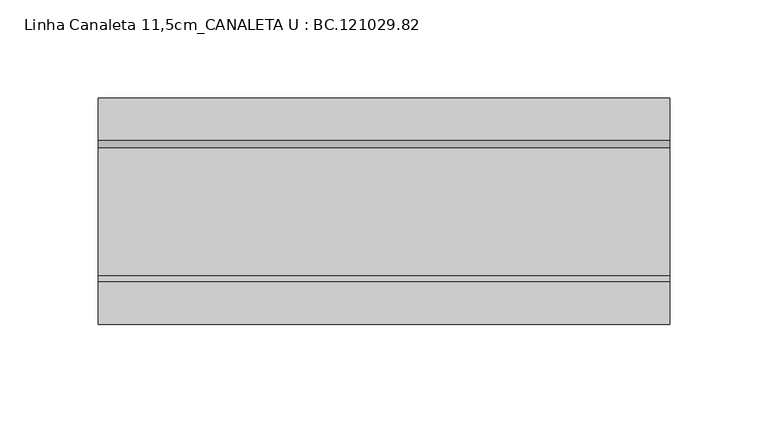
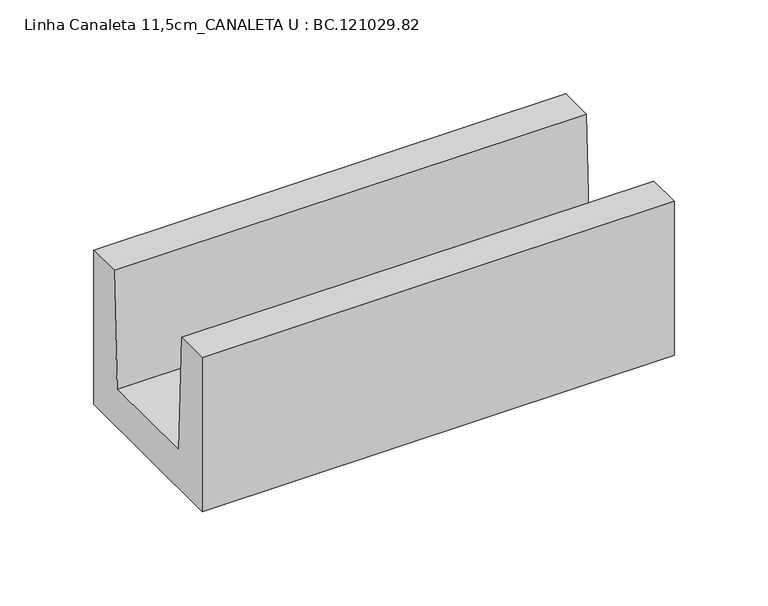
"""IFC4 building model written with IfcOpenShell, lengths in millimetres: proxy geometry, Linha Canaleta 11,5cm_CANALETA U : BC.121029.82."""

import ifcopenshell
import ifcopenshell.guid

model = None  # the IFC model being written
_history = None  # IfcOwnerHistory: only IFC2X3 demands one
_inside = {}  # id of a spatial element -> (the spatial element, [elements in it])
_under = {}  # id of a project, library or spatial element -> (it, [spatial elements below it])
_declared = {}  # id of a project -> (the project, [libraries it declares])
_typed = {}  # id of a type object -> (the type object, [elements of that type])
_made_of = {}  # id of a material, layer set ... -> (it, [elements and type objects made of it])


def new_model(schema):
    """Start an empty IFC model of exactly this schema.

    Asked for "IFC4X3", IfcOpenShell would pick the latest addendum, in which some entities
    have other attributes; the version numbers below select the first issue.
    IFC2X3 requires an IfcOwnerHistory on every rooted entity: one is made here for all.
    """
    global model, _history
    if schema == "IFC4X3":
        model = ifcopenshell.file(schema_version=(4, 3, 0, 0))
    else:
        model = ifcopenshell.file(schema=schema)
    _inside.clear()
    _under.clear()
    _declared.clear()
    _typed.clear()
    _made_of.clear()
    _history = None
    if model.schema == "IFC2X3":
        org = make("IfcOrganization", Name="unknown")
        user = make(
            "IfcPersonAndOrganization",
            ThePerson=make("IfcPerson", FamilyName="unknown"),
            TheOrganization=org,
        )
        app = make(
            "IfcApplication",
            ApplicationDeveloper=org,
            Version="unknown",
            ApplicationFullName="unknown",
            ApplicationIdentifier="unknown",
        )
        _history = make(
            "IfcOwnerHistory",
            OwningUser=user,
            OwningApplication=app,
            ChangeAction="ADDED",
            CreationDate=0,
        )
    return model


def make(cls, **values):
    """One entity of the class cls with the attributes given. An attribute that is None is left unset."""
    return model.create_entity(
        cls, **{name: value for name, value in values.items() if value is not None}
    )


def rooted(cls, **values):
    """An entity with a GlobalId (a new one), such as an element, a storey or a relation."""
    return make(cls, GlobalId=ifcopenshell.guid.new(), OwnerHistory=_history, **values)


def si_unit(unit_type, name, prefix=None):
    """IfcSIUnit, for example si_unit("LENGTHUNIT", "METRE", prefix="MILLI")."""
    return make("IfcSIUnit", UnitType=unit_type, Prefix=prefix, Name=name)


def assignment(units):
    """IfcUnitAssignment: the units of a project."""
    return None if units is None else make("IfcUnitAssignment", Units=units)


def point(xyz):
    """IfcCartesianPoint."""
    return None if xyz is None else make("IfcCartesianPoint", Coordinates=xyz)


def direction(xyz):
    """IfcDirection."""
    return None if xyz is None else make("IfcDirection", DirectionRatios=xyz)


def frame(location, z_axis=None, x_axis=None):
    """IfcAxis2Placement3D, a coordinate frame: its origin and axes. An axis left out is left unset."""
    return make(
        "IfcAxis2Placement3D",
        Location=point(location),
        Axis=direction(z_axis),
        RefDirection=direction(x_axis),
    )


def origin():
    """The frame at (0, 0, 0) with its axes left unset."""
    return frame((0.0, 0.0, 0.0))


def place(relative_to, where):
    """IfcLocalPlacement: puts the frame where relative to a parent placement (None: the world)."""
    return make(
        "IfcLocalPlacement", PlacementRelTo=relative_to, RelativePlacement=where
    )


def context(
    kind, dimensions, precision=None, world=None, true_north=None, identifier=None
):
    """IfcGeometricRepresentationContext, for example the 3D "Model" context."""
    return make(
        "IfcGeometricRepresentationContext",
        ContextIdentifier=identifier,
        ContextType=kind,
        CoordinateSpaceDimension=dimensions,
        Precision=precision,
        WorldCoordinateSystem=world,
        TrueNorth=true_north,
    )


def project(units=None, contexts=None):
    """IfcProject with its units and contexts."""
    return rooted(
        "IfcProject",
        Name="project",
        RepresentationContexts=contexts,
        UnitsInContext=assignment(units),
    )


def spatial(cls, under=None, at=None, **own):
    """A site, building, storey or space (cls), placed at a placement, below another one or the project."""
    s = rooted(cls, ObjectPlacement=at, **own)
    if under is not None:
        _under.setdefault(under.id(), (under, []))[1].append(s)
    return s


def polyline(points):
    """IfcPolyline through the points."""
    return make("IfcPolyline", Points=[point(p) for p in points])


def outline(outer, holes=None, kind="AREA"):
    """IfcArbitraryClosedProfileDef: a profile drawn as a closed curve; with holes, ...WithVoids."""
    if holes is None:
        return make("IfcArbitraryClosedProfileDef", ProfileType=kind, OuterCurve=outer)
    return make(
        "IfcArbitraryProfileDefWithVoids",
        ProfileType=kind,
        OuterCurve=outer,
        InnerCurves=holes,
    )


def extrude(swept, where, along, depth):
    """IfcExtrudedAreaSolid: the profile swept, set in the frame where, extruded along a direction by depth."""
    return make(
        "IfcExtrudedAreaSolid",
        SweptArea=swept,
        Position=where,
        ExtrudedDirection=direction(along),
        Depth=depth,
    )


def shape(context_of_items, identifier, shape_type, items):
    """IfcShapeRepresentation: the items that make up one representation, for example the "Body"."""
    return make(
        "IfcShapeRepresentation",
        ContextOfItems=context_of_items,
        RepresentationIdentifier=identifier,
        RepresentationType=shape_type,
        Items=items,
    )


def source(mapping_origin, context_of_items, identifier, shape_type, items):
    """IfcRepresentationMap: a shape defined once, which mapped items show again and again."""
    return make(
        "IfcRepresentationMap",
        MappingOrigin=mapping_origin,
        MappedRepresentation=shape(context_of_items, identifier, shape_type, items),
    )


def transform(
    local_origin,
    x_axis=None,
    y_axis=None,
    z_axis=None,
    scale=None,
    scale2=None,
    scale3=None,
    uniform=True,
):
    """IfcCartesianTransformationOperator3D, or its non-uniform kind. x_axis, y_axis, z_axis: its Axis1, 2, 3."""
    if uniform:
        return make(
            "IfcCartesianTransformationOperator3D",
            Axis1=direction(x_axis),
            Axis2=direction(y_axis),
            LocalOrigin=point(local_origin),
            Scale=scale,
            Axis3=direction(z_axis),
        )
    return make(
        "IfcCartesianTransformationOperator3DnonUniform",
        Axis1=direction(x_axis),
        Axis2=direction(y_axis),
        LocalOrigin=point(local_origin),
        Scale=scale,
        Axis3=direction(z_axis),
        Scale2=scale2,
        Scale3=scale3,
    )


def mapped(mapping_source, mapping_target):
    """IfcMappedItem: shows the shape of a source again, moved by a transform."""
    return make(
        "IfcMappedItem", MappingSource=mapping_source, MappingTarget=mapping_target
    )


def made_of(thing, what):
    """Note that an element or type object is made of a material, layer set ...; save() writes the relation."""
    if what is not None:
        _made_of.setdefault(what.id(), (what, []))[1].append(thing)
    return thing


def element(
    cls,
    number,
    at=None,
    inside=None,
    cuts=None,
    type_object=None,
    material=None,
    context=None,
    identifier="Body",
    shape_type=None,
    held_by="IfcProductDefinitionShape",
    body=None,
    shapes=None,
    **own,
):
    """One element of the class cls, such as IfcWall. Its Tag is "e" and its number.

    at: its placement. inside: the storey or other place that contains it. cuts: it is an
    opening in that element (IfcRelVoidsElement). A single representation is given by context,
    identifier, shape_type and body (its items); several are given by shapes. held_by: the class
    of the entity that holds the representations. save() writes the other relations.
    """
    e = rooted(cls, Tag="e%d" % number, ObjectPlacement=at, **own)
    if body is not None:
        shapes = [shape(context, identifier, shape_type, body)]
    if shapes is not None:
        e.Representation = make(held_by, Representations=shapes)
    if inside is not None:
        _inside.setdefault(inside.id(), (inside, []))[1].append(e)
    if cuts is not None:
        rooted(
            "IfcRelVoidsElement", RelatingBuildingElement=cuts, RelatedOpeningElement=e
        )
    if type_object is not None:
        _typed.setdefault(type_object.id(), (type_object, []))[1].append(e)
    return made_of(e, material)


def aggregate(whole, parts):
    """IfcRelAggregates: a whole, such as a stair, and the parts it consists of."""
    return rooted("IfcRelAggregates", RelatingObject=whole, RelatedObjects=parts)


def save(model, path):
    """Write the relations noted so far, then the file.

    IfcRelAggregates (storeys below a building ...), IfcRelContainedInSpatialStructure (elements
    in a storey), IfcRelDefinesByType, IfcRelAssociatesMaterial and IfcRelDeclares: one each for
    every whole, place, type object, material and project.
    """
    for whole, parts in _under.values():
        aggregate(whole, parts)
    for where, things in _inside.values():
        rooted(
            "IfcRelContainedInSpatialStructure",
            RelatedElements=things,
            RelatingStructure=where,
        )
    for kind, things in _typed.values():
        rooted("IfcRelDefinesByType", RelatedObjects=things, RelatingType=kind)
    for what, things in _made_of.values():
        rooted("IfcRelAssociatesMaterial", RelatedObjects=things, RelatingMaterial=what)
    for by, libraries in _declared.values():
        rooted("IfcRelDeclares", RelatingContext=by, RelatedDefinitions=libraries)
    model.write(path)


def linha_canaleta_11_5cm_canaleta_u_bc_121029_82_fd7c4c30(model_context):
    return source(origin(), model_context, "Body", "SweptSolid", [
        extrude(outline(polyline([(57.5, 99.9977051), (57.5, 0.0), (-57.5, 0.0), (-57.5, 99.9977051), (-35.9014913, 99.9977051), (-32.496875, 25.003125), (32.496875, 25.003125), (35.9014913, 99.9977051), (57.5, 99.9977051)])), frame((5.0, 0.0, 0.0), z_axis=(1.0, 0.0, 0.0), x_axis=(0.0, 1.0, 0.0)), (0.0, 0.0, 1.0), 290.0),
    ])


if __name__ == "__main__":
    model = new_model("IFC4")
    model_context = context("Model", 3, world=origin())
    ifc_project = project(units=[si_unit("LENGTHUNIT", "METRE", prefix="MILLI")], contexts=[model_context])
    site = spatial("IfcSite", under=ifc_project)
    building = spatial("IfcBuilding", under=site)
    placement = place(None, origin())
    linha_canaleta_11_5cm_canaleta_u_bc_121029_82_shape = linha_canaleta_11_5cm_canaleta_u_bc_121029_82_fd7c4c30(model_context)
    element("IfcBuildingElementProxy", 1, Name="Linha Canaleta 11,5cm_CANALETA U : BC.121029.82", ObjectType="Linha Canaleta 11,5cm_CANALETA U : BC.121029.82", at=placement, inside=building, context=model_context, shape_type="MappedRepresentation", body=[
        mapped(linha_canaleta_11_5cm_canaleta_u_bc_121029_82_shape, transform((0.0, 0.0, 0.0), x_axis=(1.0, 0.0, 0.0), y_axis=(0.0, 1.0, 0.0), z_axis=(0.0, 0.0, 1.0))),
    ])
    save(model, "model.ifc")
